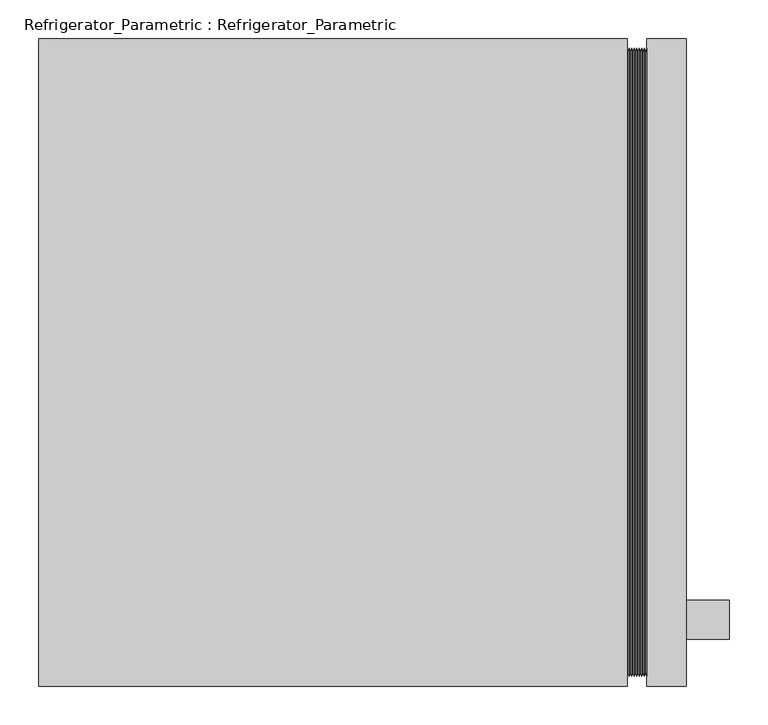
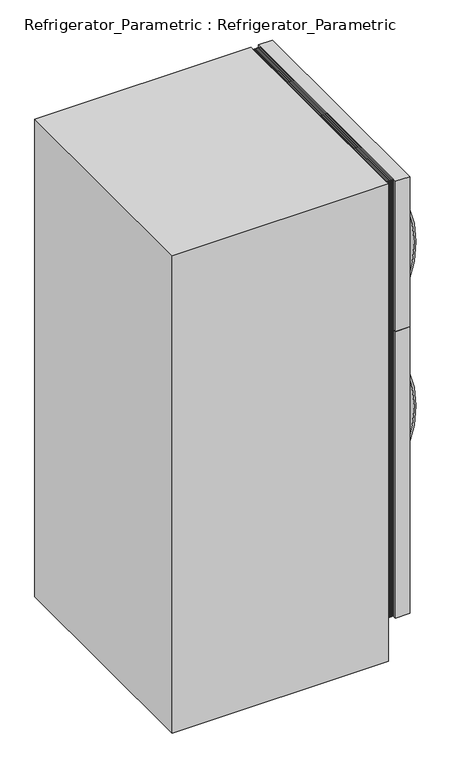
"""IFC4 building model written with IfcOpenShell, lengths in millimetres: proxy geometry, Refrigerator_Parametric : Refrigerator_Parametric."""

from ifc_helpers import new_model, si_unit, point, frame, frame_2d, origin, place, context, project, spatial, polyline, circle_curve, trimmed, segment, composite_curve, outline, extrude, faceted_brep, source, transform, mapped, element, save


def refrigerator_parametric_refrigerator_parametric_b527a1d8(model_context):
    return source(origin(), model_context, "Body", "SolidModel", [
        faceted_brep([(762.747486, 18.833629, 1771.866371), (762.0, 12.7, 1778.0), (762.0, 12.7, 1219.2), (762.747486, 18.833629, 1225.333629), (764.3909869, 12.7, 1778.0), (764.3909869, 12.7, 1219.2), (766.0344878, 18.833629, 1771.866371), (766.0344878, 18.833629, 1225.333629), (767.6779888, 12.7, 1778.0), (767.6779888, 12.7, 1219.2), (769.3214897, 18.833629, 1771.866371), (769.3214897, 18.833629, 1225.333629), (770.9649906, 12.7, 1778.0), (770.9649906, 12.7, 1219.2), (772.6084916, 18.833629, 1771.866371), (772.6084916, 18.833629, 1225.333629), (774.2519925, 12.7, 1778.0), (774.2519925, 12.7, 1219.2), (775.8954934, 18.833629, 1771.866371), (775.8954934, 18.833629, 1225.333629), (777.5389944, 12.7, 1778.0), (777.5389944, 12.7, 1219.2), (779.1824953, 18.833629, 1771.866371), (779.1824953, 18.833629, 1225.333629), (780.8259963, 12.7, 1778.0), (780.8259963, 12.7, 1219.2), (782.4694972, 18.833629, 1771.866371), (782.4694972, 18.833629, 1225.333629), (784.1129981, 12.7, 1778.0), (784.1129981, 12.7, 1219.2), (785.7564991, 18.833629, 1771.866371), (785.7564991, 18.833629, 1225.333629), (787.4, 12.7, 1778.0), (787.4, 12.7, 1219.2), (786.652514, 31.966371, 1758.733629), (787.4, 38.1, 1752.6), (787.4, 38.1, 1244.6), (786.652514, 31.966371, 1238.466371), (785.0090131, 38.1, 1752.6), (785.0090131, 38.1, 1244.6), (783.3655122, 31.966371, 1758.733629), (783.3655122, 31.966371, 1238.466371), (781.7220112, 38.1, 1752.6), (781.7220112, 38.1, 1244.6), (780.0785103, 31.966371, 1758.733629), (780.0785103, 31.966371, 1238.466371), (778.4350094, 38.1, 1752.6), (778.4350094, 38.1, 1244.6), (776.7915084, 31.966371, 1758.733629), (776.7915084, 31.966371, 1238.466371), (775.1480075, 38.1, 1752.6), (775.1480075, 38.1, 1244.6), (773.5045066, 31.966371, 1758.733629), (773.5045066, 31.966371, 1238.466371), (771.8610056, 38.1, 1752.6), (771.8610056, 38.1, 1244.6), (770.2175047, 31.966371, 1758.733629), (770.2175047, 31.966371, 1238.466371), (768.5740037, 38.1, 1752.6), (768.5740037, 38.1, 1244.6), (766.9305028, 31.966371, 1758.733629), (766.9305028, 31.966371, 1238.466371), (765.2870019, 38.1, 1752.6), (765.2870019, 38.1, 1244.6), (763.6435009, 31.966371, 1758.733629), (763.6435009, 31.966371, 1238.466371), (762.0, 38.1, 1752.6), (762.0, 38.1, 1244.6), (762.0, 825.5, 1219.2), (762.747486, 819.366371, 1225.333629), (764.3909869, 825.5, 1219.2), (766.0344878, 819.366371, 1225.333629), (767.6779888, 825.5, 1219.2), (769.3214897, 819.366371, 1225.333629), (770.9649906, 825.5, 1219.2), (772.6084916, 819.366371, 1225.333629), (774.2519925, 825.5, 1219.2), (775.8954934, 819.366371, 1225.333629), (777.5389944, 825.5, 1219.2), (779.1824953, 819.366371, 1225.333629), (780.8259963, 825.5, 1219.2), (782.4694972, 819.366371, 1225.333629), (784.1129981, 825.5, 1219.2), (785.7564991, 819.366371, 1225.333629), (787.4, 825.5, 1219.2), (787.4, 800.1, 1244.6), (786.652514, 806.233629, 1238.466371), (785.0090131, 800.1, 1244.6), (783.3655122, 806.233629, 1238.466371), (781.7220112, 800.1, 1244.6), (780.0785103, 806.233629, 1238.466371), (778.4350094, 800.1, 1244.6), (776.7915084, 806.233629, 1238.466371), (775.1480075, 800.1, 1244.6), (773.5045066, 806.233629, 1238.466371), (771.8610056, 800.1, 1244.6), (770.2175047, 806.233629, 1238.466371), (768.5740037, 800.1, 1244.6), (766.9305028, 806.233629, 1238.466371), (765.2870019, 800.1, 1244.6), (763.6435009, 806.233629, 1238.466371), (762.0, 800.1, 1244.6), (762.0, 825.5, 1778.0), (762.747486, 819.366371, 1771.866371), (764.3909869, 825.5, 1778.0), (766.0344878, 819.366371, 1771.866371), (767.6779888, 825.5, 1778.0), (769.3214897, 819.366371, 1771.866371), (770.9649906, 825.5, 1778.0), (772.6084916, 819.366371, 1771.866371), (774.2519925, 825.5, 1778.0), (775.8954934, 819.366371, 1771.866371), (777.5389944, 825.5, 1778.0), (779.1824953, 819.366371, 1771.866371), (780.8259963, 825.5, 1778.0), (782.4694972, 819.366371, 1771.866371), (784.1129981, 825.5, 1778.0), (785.7564991, 819.366371, 1771.866371), (787.4, 825.5, 1778.0), (787.4, 800.1, 1752.6), (786.652514, 806.233629, 1758.733629), (785.0090131, 800.1, 1752.6), (783.3655122, 806.233629, 1758.733629), (781.7220112, 800.1, 1752.6), (780.0785103, 806.233629, 1758.733629), (778.4350094, 800.1, 1752.6), (776.7915084, 806.233629, 1758.733629), (775.1480075, 800.1, 1752.6), (773.5045066, 806.233629, 1758.733629), (771.8610056, 800.1, 1752.6), (770.2175047, 806.233629, 1758.733629), (768.5740037, 800.1, 1752.6), (766.9305028, 806.233629, 1758.733629), (765.2870019, 800.1, 1752.6), (763.6435009, 806.233629, 1758.733629), (762.0, 800.1, 1752.6)], [[[0, 1, 2, 3]], [[4, 0, 3, 5]], [[6, 4, 5, 7]], [[8, 6, 7, 9]], [[10, 8, 9, 11]], [[12, 10, 11, 13]], [[14, 12, 13, 15]], [[16, 14, 15, 17]], [[18, 16, 17, 19]], [[20, 18, 19, 21]], [[22, 20, 21, 23]], [[24, 22, 23, 25]], [[26, 24, 25, 27]], [[28, 26, 27, 29]], [[30, 28, 29, 31]], [[32, 30, 31, 33]], [[34, 35, 36, 37]], [[38, 34, 37, 39]], [[40, 38, 39, 41]], [[42, 40, 41, 43]], [[44, 42, 43, 45]], [[46, 44, 45, 47]], [[48, 46, 47, 49]], [[50, 48, 49, 51]], [[52, 50, 51, 53]], [[54, 52, 53, 55]], [[56, 54, 55, 57]], [[58, 56, 57, 59]], [[60, 58, 59, 61]], [[62, 60, 61, 63]], [[64, 62, 63, 65]], [[66, 64, 65, 67]], [[3, 2, 68, 69]], [[5, 3, 69, 70]], [[7, 5, 70, 71]], [[9, 7, 71, 72]], [[11, 9, 72, 73]], [[13, 11, 73, 74]], [[15, 13, 74, 75]], [[17, 15, 75, 76]], [[19, 17, 76, 77]], [[21, 19, 77, 78]], [[23, 21, 78, 79]], [[25, 23, 79, 80]], [[27, 25, 80, 81]], [[29, 27, 81, 82]], [[31, 29, 82, 83]], [[33, 31, 83, 84]], [[37, 36, 85, 86]], [[39, 37, 86, 87]], [[41, 39, 87, 88]], [[43, 41, 88, 89]], [[45, 43, 89, 90]], [[47, 45, 90, 91]], [[49, 47, 91, 92]], [[51, 49, 92, 93]], [[53, 51, 93, 94]], [[55, 53, 94, 95]], [[57, 55, 95, 96]], [[59, 57, 96, 97]], [[61, 59, 97, 98]], [[63, 61, 98, 99]], [[65, 63, 99, 100]], [[67, 65, 100, 101]], [[69, 68, 102, 103]], [[70, 69, 103, 104]], [[71, 70, 104, 105]], [[72, 71, 105, 106]], [[73, 72, 106, 107]], [[74, 73, 107, 108]], [[75, 74, 108, 109]], [[76, 75, 109, 110]], [[77, 76, 110, 111]], [[78, 77, 111, 112]], [[79, 78, 112, 113]], [[80, 79, 113, 114]], [[81, 80, 114, 115]], [[82, 81, 115, 116]], [[83, 82, 116, 117]], [[84, 83, 117, 118]], [[86, 85, 119, 120]], [[87, 86, 120, 121]], [[88, 87, 121, 122]], [[89, 88, 122, 123]], [[90, 89, 123, 124]], [[91, 90, 124, 125]], [[92, 91, 125, 126]], [[93, 92, 126, 127]], [[94, 93, 127, 128]], [[95, 94, 128, 129]], [[96, 95, 129, 130]], [[97, 96, 130, 131]], [[98, 97, 131, 132]], [[99, 98, 132, 133]], [[100, 99, 133, 134]], [[101, 100, 134, 135]], [[103, 102, 1, 0]], [[104, 103, 0, 4]], [[105, 104, 4, 6]], [[106, 105, 6, 8]], [[107, 106, 8, 10]], [[108, 107, 10, 12]], [[109, 108, 12, 14]], [[110, 109, 14, 16]], [[111, 110, 16, 18]], [[112, 111, 18, 20]], [[113, 112, 20, 22]], [[114, 113, 22, 24]], [[115, 114, 24, 26]], [[116, 115, 26, 28]], [[117, 116, 28, 30]], [[118, 117, 30, 32]], [[33, 84, 118, 32], [35, 119, 85, 36]], [[120, 119, 35, 34]], [[121, 120, 34, 38]], [[122, 121, 38, 40]], [[123, 122, 40, 42]], [[124, 123, 42, 44]], [[125, 124, 44, 46]], [[126, 125, 46, 48]], [[127, 126, 48, 50]], [[128, 127, 50, 52]], [[129, 128, 52, 54]], [[130, 129, 54, 56]], [[131, 130, 56, 58]], [[132, 131, 58, 60]], [[133, 132, 60, 62]], [[134, 133, 62, 64]], [[135, 134, 64, 66]], [[1, 102, 68, 2], [67, 101, 135, 66]]]),
        faceted_brep([(762.747486, 18.833629, 1213.066371), (762.0, 12.7, 1219.2), (762.0, 12.7, 152.4), (762.747486, 18.833629, 158.533629), (764.3909869, 12.7, 1219.2), (764.3909869, 12.7, 152.4), (766.0344878, 18.833629, 1213.066371), (766.0344878, 18.833629, 158.533629), (767.6779888, 12.7, 1219.2), (767.6779888, 12.7, 152.4), (769.3214897, 18.833629, 1213.066371), (769.3214897, 18.833629, 158.533629), (770.9649906, 12.7, 1219.2), (770.9649906, 12.7, 152.4), (772.6084916, 18.833629, 1213.066371), (772.6084916, 18.833629, 158.533629), (774.2519925, 12.7, 1219.2), (774.2519925, 12.7, 152.4), (775.8954934, 18.833629, 1213.066371), (775.8954934, 18.833629, 158.533629), (777.5389944, 12.7, 1219.2), (777.5389944, 12.7, 152.4), (779.1824953, 18.833629, 1213.066371), (779.1824953, 18.833629, 158.533629), (780.8259963, 12.7, 1219.2), (780.8259963, 12.7, 152.4), (782.4694972, 18.833629, 1213.066371), (782.4694972, 18.833629, 158.533629), (784.1129981, 12.7, 1219.2), (784.1129981, 12.7, 152.4), (785.7564991, 18.833629, 1213.066371), (785.7564991, 18.833629, 158.533629), (787.4, 12.7, 1219.2), (787.4, 12.7, 152.4), (786.652514, 31.966371, 1199.933629), (787.4, 38.1, 1193.8), (787.4, 38.1, 177.8), (786.652514, 31.966371, 171.666371), (785.0090131, 38.1, 1193.8), (785.0090131, 38.1, 177.8), (783.3655122, 31.966371, 1199.933629), (783.3655122, 31.966371, 171.666371), (781.7220112, 38.1, 1193.8), (781.7220112, 38.1, 177.8), (780.0785103, 31.966371, 1199.933629), (780.0785103, 31.966371, 171.666371), (778.4350094, 38.1, 1193.8), (778.4350094, 38.1, 177.8), (776.7915084, 31.966371, 1199.933629), (776.7915084, 31.966371, 171.666371), (775.1480075, 38.1, 1193.8), (775.1480075, 38.1, 177.8), (773.5045066, 31.966371, 1199.933629), (773.5045066, 31.966371, 171.666371), (771.8610056, 38.1, 1193.8), (771.8610056, 38.1, 177.8), (770.2175047, 31.966371, 1199.933629), (770.2175047, 31.966371, 171.666371), (768.5740037, 38.1, 1193.8), (768.5740037, 38.1, 177.8), (766.9305028, 31.966371, 1199.933629), (766.9305028, 31.966371, 171.666371), (765.2870019, 38.1, 1193.8), (765.2870019, 38.1, 177.8), (763.6435009, 31.966371, 1199.933629), (763.6435009, 31.966371, 171.666371), (762.0, 38.1, 1193.8), (762.0, 38.1, 177.8), (762.0, 825.5, 152.4), (762.747486, 819.366371, 158.533629), (764.3909869, 825.5, 152.4), (766.0344878, 819.366371, 158.533629), (767.6779888, 825.5, 152.4), (769.3214897, 819.366371, 158.533629), (770.9649906, 825.5, 152.4), (772.6084916, 819.366371, 158.533629), (774.2519925, 825.5, 152.4), (775.8954934, 819.366371, 158.533629), (777.5389944, 825.5, 152.4), (779.1824953, 819.366371, 158.533629), (780.8259963, 825.5, 152.4), (782.4694972, 819.366371, 158.533629), (784.1129981, 825.5, 152.4), (785.7564991, 819.366371, 158.533629), (787.4, 825.5, 152.4), (787.4, 800.1, 177.8), (786.652514, 806.233629, 171.666371), (785.0090131, 800.1, 177.8), (783.3655122, 806.233629, 171.666371), (781.7220112, 800.1, 177.8), (780.0785103, 806.233629, 171.666371), (778.4350094, 800.1, 177.8), (776.7915084, 806.233629, 171.666371), (775.1480075, 800.1, 177.8), (773.5045066, 806.233629, 171.666371), (771.8610056, 800.1, 177.8), (770.2175047, 806.233629, 171.666371), (768.5740037, 800.1, 177.8), (766.9305028, 806.233629, 171.666371), (765.2870019, 800.1, 177.8), (763.6435009, 806.233629, 171.666371), (762.0, 800.1, 177.8), (762.0, 825.5, 1219.2), (762.747486, 819.366371, 1213.066371), (764.3909869, 825.5, 1219.2), (766.0344878, 819.366371, 1213.066371), (767.6779888, 825.5, 1219.2), (769.3214897, 819.366371, 1213.066371), (770.9649906, 825.5, 1219.2), (772.6084916, 819.366371, 1213.066371), (774.2519925, 825.5, 1219.2), (775.8954934, 819.366371, 1213.066371), (777.5389944, 825.5, 1219.2), (779.1824953, 819.366371, 1213.066371), (780.8259963, 825.5, 1219.2), (782.4694972, 819.366371, 1213.066371), (784.1129981, 825.5, 1219.2), (785.7564991, 819.366371, 1213.066371), (787.4, 825.5, 1219.2), (787.4, 800.1, 1193.8), (786.652514, 806.233629, 1199.933629), (785.0090131, 800.1, 1193.8), (783.3655122, 806.233629, 1199.933629), (781.7220112, 800.1, 1193.8), (780.0785103, 806.233629, 1199.933629), (778.4350094, 800.1, 1193.8), (776.7915084, 806.233629, 1199.933629), (775.1480075, 800.1, 1193.8), (773.5045066, 806.233629, 1199.933629), (771.8610056, 800.1, 1193.8), (770.2175047, 806.233629, 1199.933629), (768.5740037, 800.1, 1193.8), (766.9305028, 806.233629, 1199.933629), (765.2870019, 800.1, 1193.8), (763.6435009, 806.233629, 1199.933629), (762.0, 800.1, 1193.8)], [[[0, 1, 2, 3]], [[4, 0, 3, 5]], [[6, 4, 5, 7]], [[8, 6, 7, 9]], [[10, 8, 9, 11]], [[12, 10, 11, 13]], [[14, 12, 13, 15]], [[16, 14, 15, 17]], [[18, 16, 17, 19]], [[20, 18, 19, 21]], [[22, 20, 21, 23]], [[24, 22, 23, 25]], [[26, 24, 25, 27]], [[28, 26, 27, 29]], [[30, 28, 29, 31]], [[32, 30, 31, 33]], [[34, 35, 36, 37]], [[38, 34, 37, 39]], [[40, 38, 39, 41]], [[42, 40, 41, 43]], [[44, 42, 43, 45]], [[46, 44, 45, 47]], [[48, 46, 47, 49]], [[50, 48, 49, 51]], [[52, 50, 51, 53]], [[54, 52, 53, 55]], [[56, 54, 55, 57]], [[58, 56, 57, 59]], [[60, 58, 59, 61]], [[62, 60, 61, 63]], [[64, 62, 63, 65]], [[66, 64, 65, 67]], [[3, 2, 68, 69]], [[5, 3, 69, 70]], [[7, 5, 70, 71]], [[9, 7, 71, 72]], [[11, 9, 72, 73]], [[13, 11, 73, 74]], [[15, 13, 74, 75]], [[17, 15, 75, 76]], [[19, 17, 76, 77]], [[21, 19, 77, 78]], [[23, 21, 78, 79]], [[25, 23, 79, 80]], [[27, 25, 80, 81]], [[29, 27, 81, 82]], [[31, 29, 82, 83]], [[33, 31, 83, 84]], [[37, 36, 85, 86]], [[39, 37, 86, 87]], [[41, 39, 87, 88]], [[43, 41, 88, 89]], [[45, 43, 89, 90]], [[47, 45, 90, 91]], [[49, 47, 91, 92]], [[51, 49, 92, 93]], [[53, 51, 93, 94]], [[55, 53, 94, 95]], [[57, 55, 95, 96]], [[59, 57, 96, 97]], [[61, 59, 97, 98]], [[63, 61, 98, 99]], [[65, 63, 99, 100]], [[67, 65, 100, 101]], [[69, 68, 102, 103]], [[70, 69, 103, 104]], [[71, 70, 104, 105]], [[72, 71, 105, 106]], [[73, 72, 106, 107]], [[74, 73, 107, 108]], [[75, 74, 108, 109]], [[76, 75, 109, 110]], [[77, 76, 110, 111]], [[78, 77, 111, 112]], [[79, 78, 112, 113]], [[80, 79, 113, 114]], [[81, 80, 114, 115]], [[82, 81, 115, 116]], [[83, 82, 116, 117]], [[84, 83, 117, 118]], [[86, 85, 119, 120]], [[87, 86, 120, 121]], [[88, 87, 121, 122]], [[89, 88, 122, 123]], [[90, 89, 123, 124]], [[91, 90, 124, 125]], [[92, 91, 125, 126]], [[93, 92, 126, 127]], [[94, 93, 127, 128]], [[95, 94, 128, 129]], [[96, 95, 129, 130]], [[97, 96, 130, 131]], [[98, 97, 131, 132]], [[99, 98, 132, 133]], [[100, 99, 133, 134]], [[101, 100, 134, 135]], [[103, 102, 1, 0]], [[104, 103, 0, 4]], [[105, 104, 4, 6]], [[106, 105, 6, 8]], [[107, 106, 8, 10]], [[108, 107, 10, 12]], [[109, 108, 12, 14]], [[110, 109, 14, 16]], [[111, 110, 16, 18]], [[112, 111, 18, 20]], [[113, 112, 20, 22]], [[114, 113, 22, 24]], [[115, 114, 24, 26]], [[116, 115, 26, 28]], [[117, 116, 28, 30]], [[118, 117, 30, 32]], [[33, 84, 118, 32], [35, 119, 85, 36]], [[120, 119, 35, 34]], [[121, 120, 34, 38]], [[122, 121, 38, 40]], [[123, 122, 40, 42]], [[124, 123, 42, 44]], [[125, 124, 44, 46]], [[126, 125, 46, 48]], [[127, 126, 48, 50]], [[128, 127, 50, 52]], [[129, 128, 52, 54]], [[130, 129, 54, 56]], [[131, 130, 56, 58]], [[132, 131, 58, 60]], [[133, 132, 60, 62]], [[134, 133, 62, 64]], [[135, 134, 64, 66]], [[1, 102, 68, 2], [67, 101, 135, 66]]]),
        extrude(outline(polyline([(838.2, 838.2), (838.2, 0.0), (787.4, 0.0), (787.4, 838.2), (838.2, 838.2)])), frame((0.0, 0.0, 152.4), z_axis=(0.0, 0.0, 1.0), x_axis=(1.0, 0.0, 0.0)), (0.0, 0.0, 1.0), 1066.8),
        extrude(outline(polyline([(838.2, 838.2), (838.2, 0.0), (787.4, 0.0), (787.4, 838.2), (838.2, 838.2)])), frame((0.0, 0.0, 1219.2), z_axis=(0.0, 0.0, 1.0), x_axis=(1.0, 0.0, 0.0)), (0.0, 0.0, 1.0), 558.8),
        faceted_brep([(762.0, 838.2, 1778.0), (0.0, 838.2, 1778.0), (0.0, 0.0, 1778.0), (762.0, 0.0, 1778.0), (762.0, 838.2, 0.0), (762.0, 0.0, 0.0), (0.0, 0.0, 0.0), (0.0, 838.2, 0.0), (762.0, 38.1, 1193.8), (762.0, 800.1, 1193.8), (762.0, 800.1, 177.8), (762.0, 38.1, 177.8), (762.0, 38.1, 1752.6), (762.0, 800.1, 1752.6), (762.0, 800.1, 1244.6), (762.0, 38.1, 1244.6), (38.1, 38.1, 1193.8), (38.1, 800.1, 1193.8), (38.1, 800.1, 177.8), (38.1, 38.1, 177.8), (38.1, 38.1, 1752.6), (38.1, 800.1, 1752.6), (38.1, 800.1, 1244.6), (38.1, 38.1, 1244.6)], [[[0, 1, 2, 3]], [[4, 5, 6, 7]], [[1, 0, 4, 7]], [[2, 1, 7, 6]], [[3, 2, 6, 5]], [[0, 3, 5, 4], [8, 9, 10, 11], [12, 13, 14, 15]], [[8, 16, 17, 9]], [[10, 18, 19, 11]], [[9, 17, 18, 10]], [[17, 16, 19, 18]], [[16, 8, 11, 19]], [[12, 20, 21, 13]], [[14, 22, 23, 15]], [[13, 21, 22, 14]], [[21, 20, 23, 22]], [[20, 12, 15, 23]]]),
        extrude(outline(composite_curve([segment(trimmed(circle_curve(frame_2d((869.5490825, 498.2145126)), 396.081269), [point((666.3490825, 838.2))], [point((1072.7490825, 838.2))], False, "CARTESIAN"), True, "CONTINUOUS"), segment(polyline([(1072.7490825, 838.2), (1069.4913672, 832.7493311)]), True, "CONTINUOUS"), segment(trimmed(circle_curve(frame_2d((869.5490825, 498.2145126)), 389.731269), [point((1069.4913672, 832.7493311))], [point((669.6067977, 832.7493311))], True, "CARTESIAN"), True, "CONTINUOUS"), segment(polyline([(669.6067977, 832.7493311), (666.3490825, 838.2)]), True, "CONTINUOUS")], self_intersect=False)), frame((0.0, 60.4699571, 0.0), z_axis=(0.0, 1.0, 0.0), x_axis=(0.0, 0.0, 1.0)), (0.0, 0.0, 1.0), 50.8),
        extrude(outline(composite_curve([segment(trimmed(circle_curve(frame_2d((1479.1490825, 498.2145126)), 396.081269), [point((1275.9490825, 838.2))], [point((1682.3490825, 838.2))], False, "CARTESIAN"), True, "CONTINUOUS"), segment(polyline([(1682.3490825, 838.2), (1679.0913672, 832.7493311)]), True, "CONTINUOUS"), segment(trimmed(circle_curve(frame_2d((1479.1490825, 498.2145126)), 389.731269), [point((1679.0913672, 832.7493311))], [point((1279.2067977, 832.7493311))], True, "CARTESIAN"), True, "CONTINUOUS"), segment(polyline([(1279.2067977, 832.7493311), (1275.9490825, 838.2)]), True, "CONTINUOUS")], self_intersect=False)), frame((0.0, 60.4699571, 0.0), z_axis=(0.0, 1.0, 0.0), x_axis=(0.0, 0.0, 1.0)), (0.0, 0.0, 1.0), 50.8),
    ])


if __name__ == "__main__":
    model = new_model("IFC4")
    model_context = context("Model", 3, world=origin())
    ifc_project = project(units=[si_unit("LENGTHUNIT", "METRE", prefix="MILLI")], contexts=[model_context])
    site = spatial("IfcSite", under=ifc_project)
    building = spatial("IfcBuilding", under=site)
    placement = place(None, origin())
    refrigerator_parametric_refrigerator_parametric_shape = refrigerator_parametric_refrigerator_parametric_b527a1d8(model_context)
    element("IfcBuildingElementProxy", 1, Name="Refrigerator_Parametric : Refrigerator_Parametric", ObjectType="Refrigerator_Parametric : Refrigerator_Parametric", at=placement, inside=building, context=model_context, shape_type="MappedRepresentation", body=[
        mapped(refrigerator_parametric_refrigerator_parametric_shape, transform((0.0, 0.0, 0.0), x_axis=(1.0, 0.0, 0.0), y_axis=(0.0, 1.0, 0.0), z_axis=(0.0, 0.0, 1.0))),
    ])
    save(model, "model.ifc")
